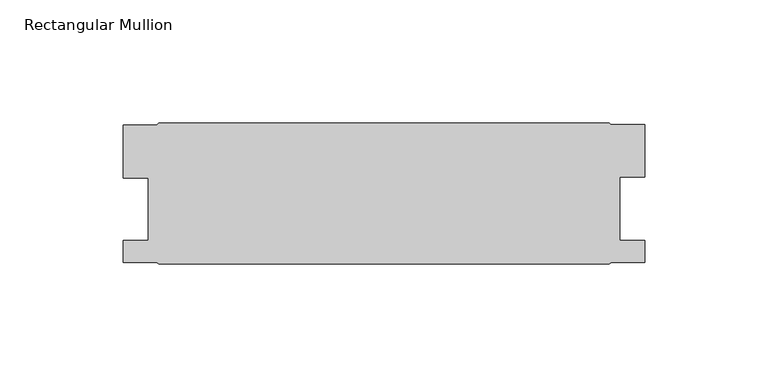
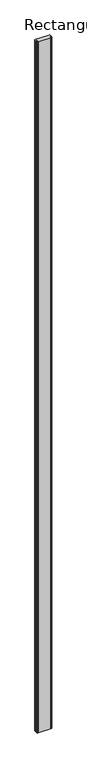
"""IFC4 building model written with IfcOpenShell, lengths in millimetres: member geometry, Rectangular Mullion."""

from ifc_helpers import new_model, si_unit, frame, origin, place, context, project, spatial, polyline, outline, extrude, source, transform, mapped, element, save


def rectangular_mullion_b043dcc9(model_context):
    return source(origin(), model_context, "Body", "SweptSolid", [
        extrude(outline(polyline([(-100.1793623, -38.0333254), (-100.1793623, -16.602075), (-86.6919624, -16.602075), (-85.9045625, -15.8146751), (96.6709683, -15.8146751), (97.3239175, -16.271875), (110.9457681, -16.271875), (110.9457681, -37.7031252), (100.9127683, -37.7031252), (100.9127683, -63.4333251), (110.9584683, -63.4333251), (110.9584683, -72.1709251), (97.4647283, -72.1709251), (96.6709783, -72.9646751), (-85.9045625, -72.9646751), (-86.6983125, -72.1709251), (-100.1920625, -72.1709251), (-100.1920625, -63.4333251), (-90.1590625, -63.4333251), (-90.1590625, -38.0333254), (-100.1793623, -38.0333254)])), frame((0.0, 0.0, -10462.5941557), z_axis=(0.0, 0.0, 1.0), x_axis=(1.0, 0.0, 0.0)), (0.0, 0.0, 1.0), 10462.5941557),
    ])


if __name__ == "__main__":
    model = new_model("IFC4")
    model_context = context("Model", 3, world=origin())
    ifc_project = project(units=[si_unit("LENGTHUNIT", "METRE", prefix="MILLI")], contexts=[model_context])
    site = spatial("IfcSite", under=ifc_project)
    building = spatial("IfcBuilding", under=site)
    placement = place(None, origin())
    rectangular_mullion_shape = rectangular_mullion_b043dcc9(model_context)
    element("IfcMember", 1, ObjectType="Rectangular Mullion", at=placement, inside=building, context=model_context, shape_type="MappedRepresentation", body=[
        mapped(rectangular_mullion_shape, transform((0.0, 0.0, 0.0), x_axis=(1.0, 0.0, 0.0), y_axis=(0.0, 1.0, 0.0), z_axis=(0.0, 0.0, 1.0))),
    ])
    save(model, "model.ifc")
